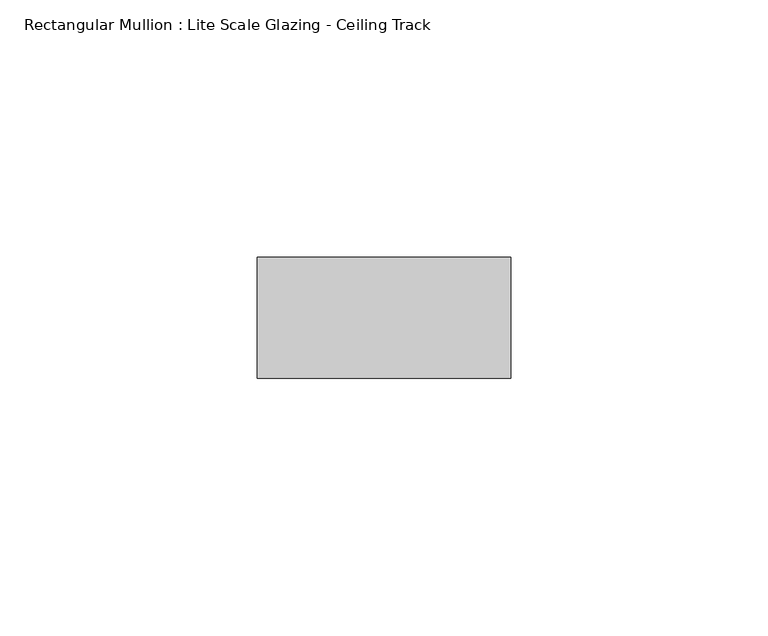
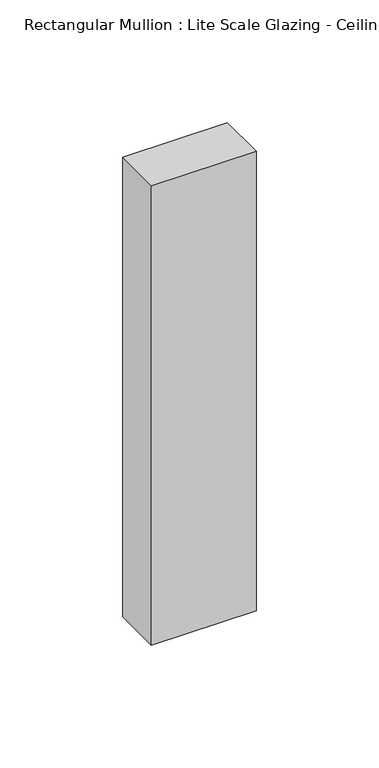
"""IFC4 building model written with IfcOpenShell, lengths in millimetres: member geometry, Rectangular Mullion : Lite Scale Glazing - Ceiling Track."""

from ifc_helpers import new_model, si_unit, frame, origin, place, context, project, spatial, polyline, outline, extrude, source, transform, mapped, element, save


def rectangular_mullion_lite_scale_glazing_ceiling_track_291b033c(model_context):
    return source(origin(), model_context, "Body", "SweptSolid", [
        extrude(outline(polyline([(-49.276, -11.7474999), (-49.276, 11.7474999), (0.0, 11.7474999), (0.0, -11.7474999), (-49.276, -11.7474999)])), frame((0.0, 0.0, -228.6), z_axis=(0.0, 0.0, 1.0), x_axis=(1.0, 0.0, 0.0)), (0.0, 0.0, 1.0), 228.6),
    ])


if __name__ == "__main__":
    model = new_model("IFC4")
    model_context = context("Model", 3, world=origin())
    ifc_project = project(units=[si_unit("LENGTHUNIT", "METRE", prefix="MILLI")], contexts=[model_context])
    site = spatial("IfcSite", under=ifc_project)
    building = spatial("IfcBuilding", under=site)
    placement = place(None, origin())
    rectangular_mullion_lite_scale_glazing_ceiling_track_shape = rectangular_mullion_lite_scale_glazing_ceiling_track_291b033c(model_context)
    element("IfcMember", 1, ObjectType="Rectangular Mullion : Lite Scale Glazing - Ceiling Track", at=placement, inside=building, context=model_context, shape_type="MappedRepresentation", body=[
        mapped(rectangular_mullion_lite_scale_glazing_ceiling_track_shape, transform((0.0, 0.0, 0.0), x_axis=(1.0, 0.0, 0.0), y_axis=(0.0, 1.0, 0.0), z_axis=(0.0, 0.0, 1.0))),
    ])
    save(model, "model.ifc")
